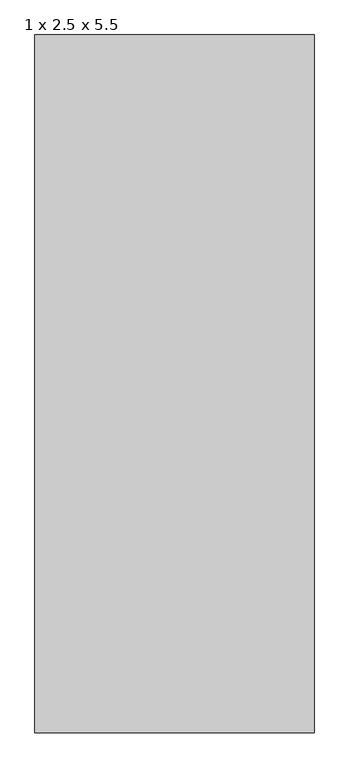
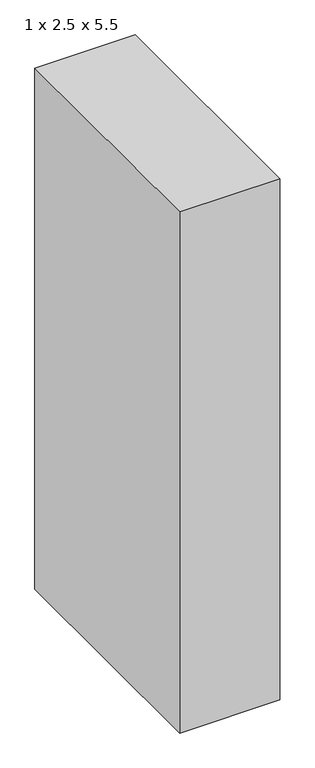
"""IFC4 building model written with IfcOpenShell, lengths in millimetres: proxy geometry, 1 x 2.5 x 5.5."""

from ifc_helpers import new_model, si_unit, origin, origin_with_axes, place, context, project, spatial, polyline, outline, extrude, source, transform, mapped, element, save


def proxy_1_x_2_5_x_5_5_b14609d9(model_context):
    return source(origin(), model_context, "Body", "SweptSolid", [
        extrude(outline(polyline([(1000.0, 2500.0), (1000.0, 0.0), (0.0, 0.0), (0.0, 2500.0), (1000.0, 2500.0)])), origin_with_axes(), (0.0, 0.0, 1.0), 5500.0),
    ])


if __name__ == "__main__":
    model = new_model("IFC4")
    model_context = context("Model", 3, world=origin())
    ifc_project = project(units=[si_unit("LENGTHUNIT", "METRE", prefix="MILLI")], contexts=[model_context])
    site = spatial("IfcSite", under=ifc_project)
    building = spatial("IfcBuilding", under=site)
    placement = place(None, origin())
    proxy_1_x_2_5_x_5_5_shape = proxy_1_x_2_5_x_5_5_b14609d9(model_context)
    element("IfcBuildingElementProxy", 1, Name="1 x 2.5 x 5.5", ObjectType="1 x 2.5 x 5.5", at=placement, inside=building, context=model_context, shape_type="MappedRepresentation", body=[
        mapped(proxy_1_x_2_5_x_5_5_shape, transform((0.0, 0.0, 0.0), x_axis=(1.0, 0.0, 0.0), y_axis=(0.0, 1.0, 0.0), z_axis=(0.0, 0.0, 1.0))),
    ])
    save(model, "model.ifc")
